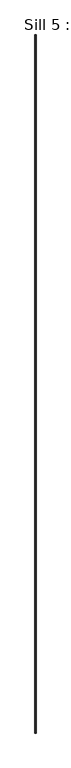
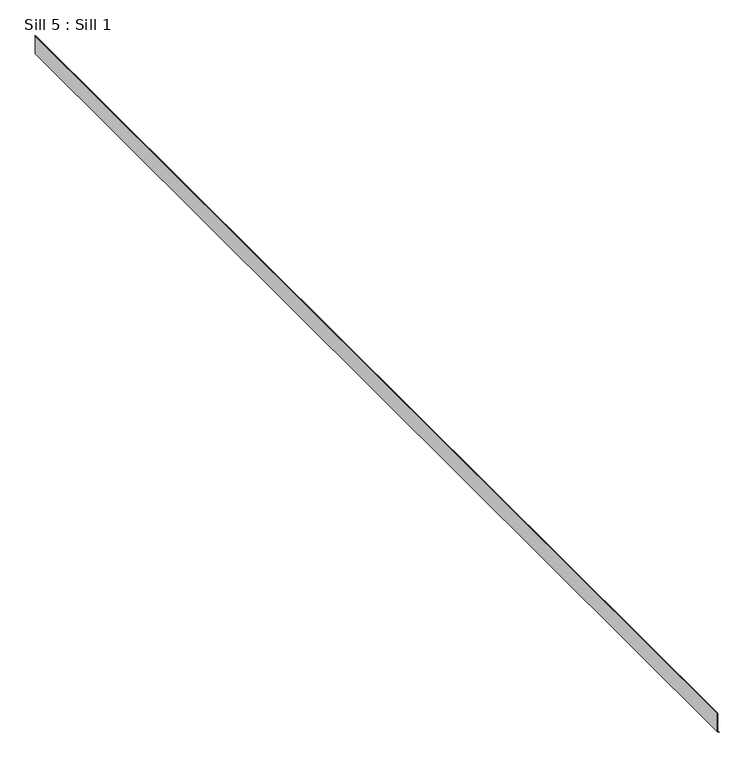
"""IFC4 building model written with IfcOpenShell, lengths in millimetres: proxy geometry, Sill 5 : Sill 1."""

from ifc_helpers import new_model, si_unit, frame, origin, place, context, project, spatial, polyline, outline, extrude, source, transform, mapped, element, save


def sill_5_sill_1_158055bc(model_context):
    return source(origin(), model_context, "Body", "SweptSolid", [
        extrude(outline(polyline([(-555.8098139, -18072.5433338), (-436.060167, -18072.5433338), (-433.6364158, -18075.474311), (-434.8554468, -18076.4823802), (-436.7868188, -18074.1468239), (-556.4519246, -18074.1468239), (-565.4458804, -18065.1528681), (-564.32308, -18064.0300677), (-555.8098139, -18072.5433338)])), frame((0.0, 5367.6209953, 0.0), z_axis=(0.0, 1.0, 0.0), x_axis=(0.0, 0.0, 1.0)), (0.0, 0.0, 1.0), 7438.7178971),
    ])


if __name__ == "__main__":
    model = new_model("IFC4")
    model_context = context("Model", 3, world=origin())
    ifc_project = project(units=[si_unit("LENGTHUNIT", "METRE", prefix="MILLI")], contexts=[model_context])
    site = spatial("IfcSite", under=ifc_project)
    building = spatial("IfcBuilding", under=site)
    placement = place(None, origin())
    sill_5_sill_1_shape = sill_5_sill_1_158055bc(model_context)
    element("IfcBuildingElementProxy", 1, Name="Sill 5 : Sill 1", ObjectType="Sill 5 : Sill 1", at=placement, inside=building, context=model_context, shape_type="MappedRepresentation", body=[
        mapped(sill_5_sill_1_shape, transform((0.0, 0.0, 0.0), x_axis=(1.0, 0.0, 0.0), y_axis=(0.0, 1.0, 0.0), z_axis=(0.0, 0.0, 1.0))),
    ])
    save(model, "model.ifc")
